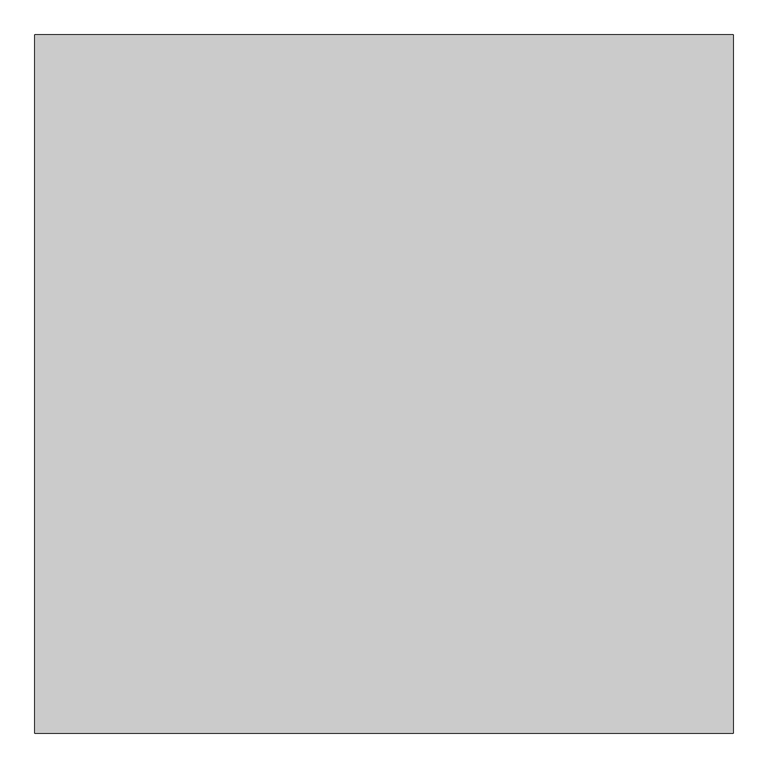
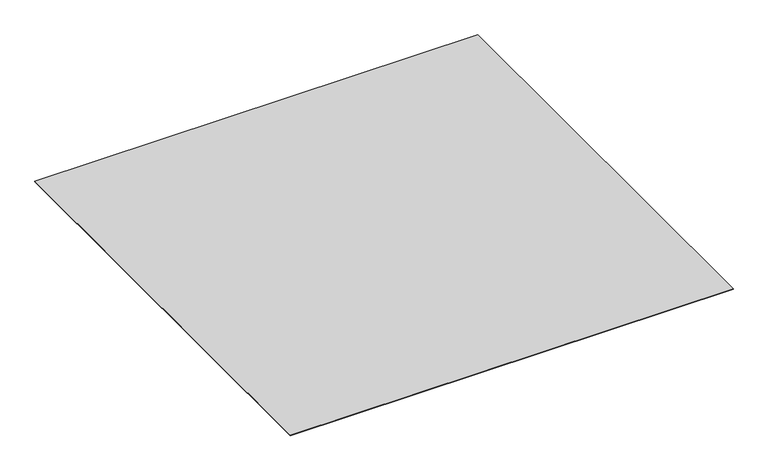
"""IFC4 building model written with IfcOpenShell, lengths in millimetres: proxy geometry."""

from ifc_helpers import new_model, si_unit, origin, origin_with_axes, place, context, project, spatial, polyline, outline, extrude, source, transform, mapped, element, save


def generic_models_0ada36aa(model_context):
    return source(origin(), model_context, "Body", "SweptSolid", [
        extrude(outline(polyline([(-16196.9237868, -24287.355679), (-16196.9237868, -25287.355679), (-17196.9237868, -25287.355679), (-17196.9237868, -24287.355679), (-16196.9237868, -24287.355679)])), origin_with_axes(), (0.0, 0.0, 1.0), 1.0),
    ])


if __name__ == "__main__":
    model = new_model("IFC4")
    model_context = context("Model", 3, world=origin())
    ifc_project = project(units=[si_unit("LENGTHUNIT", "METRE", prefix="MILLI")], contexts=[model_context])
    site = spatial("IfcSite", under=ifc_project)
    building = spatial("IfcBuilding", under=site)
    placement = place(None, origin())
    generic_models_shape = generic_models_0ada36aa(model_context)
    element("IfcBuildingElementProxy", 1, Name="Generic Models", at=placement, inside=building, context=model_context, shape_type="MappedRepresentation", body=[
        mapped(generic_models_shape, transform((0.0, 0.0, 0.0), x_axis=(1.0, 0.0, 0.0), y_axis=(0.0, 1.0, 0.0), z_axis=(0.0, 0.0, 1.0))),
    ])
    save(model, "model.ifc")
